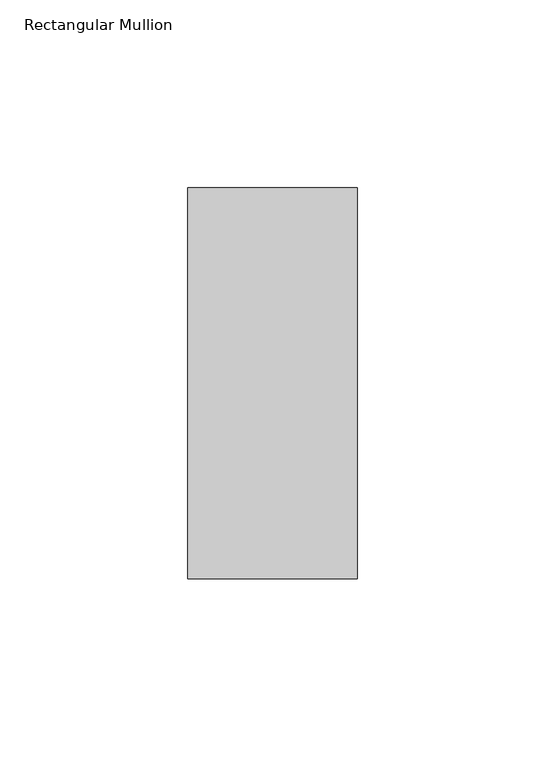
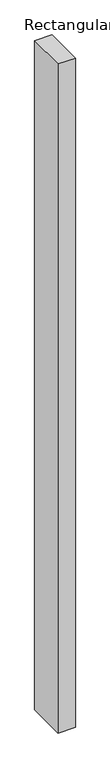
"""IFC4 building model written with IfcOpenShell, lengths in millimetres: member geometry, Rectangular Mullion."""

from ifc_helpers import new_model, si_unit, frame, origin, place, context, project, spatial, polyline, outline, extrude, source, transform, mapped, element, save


def rectangular_mullion_4f6b4f1e(model_context):
    return source(origin(), model_context, "Body", "SweptSolid", [
        extrude(outline(polyline([(22.5, 67.525), (22.5, -36.525), (-22.5, -36.525), (-22.5, 67.525), (22.5, 67.525)])), frame((0.0, 0.0, -1828.8), z_axis=(0.0, 0.0, 1.0), x_axis=(1.0, 0.0, 0.0)), (0.0, 0.0, 1.0), 1828.8),
    ])


if __name__ == "__main__":
    model = new_model("IFC4")
    model_context = context("Model", 3, world=origin())
    ifc_project = project(units=[si_unit("LENGTHUNIT", "METRE", prefix="MILLI")], contexts=[model_context])
    site = spatial("IfcSite", under=ifc_project)
    building = spatial("IfcBuilding", under=site)
    placement = place(None, origin())
    rectangular_mullion_shape = rectangular_mullion_4f6b4f1e(model_context)
    element("IfcMember", 1, ObjectType="Rectangular Mullion", at=placement, inside=building, context=model_context, shape_type="MappedRepresentation", body=[
        mapped(rectangular_mullion_shape, transform((0.0, 0.0, 0.0), x_axis=(1.0, 0.0, 0.0), y_axis=(0.0, 1.0, 0.0), z_axis=(0.0, 0.0, 1.0))),
    ])
    save(model, "model.ifc")
